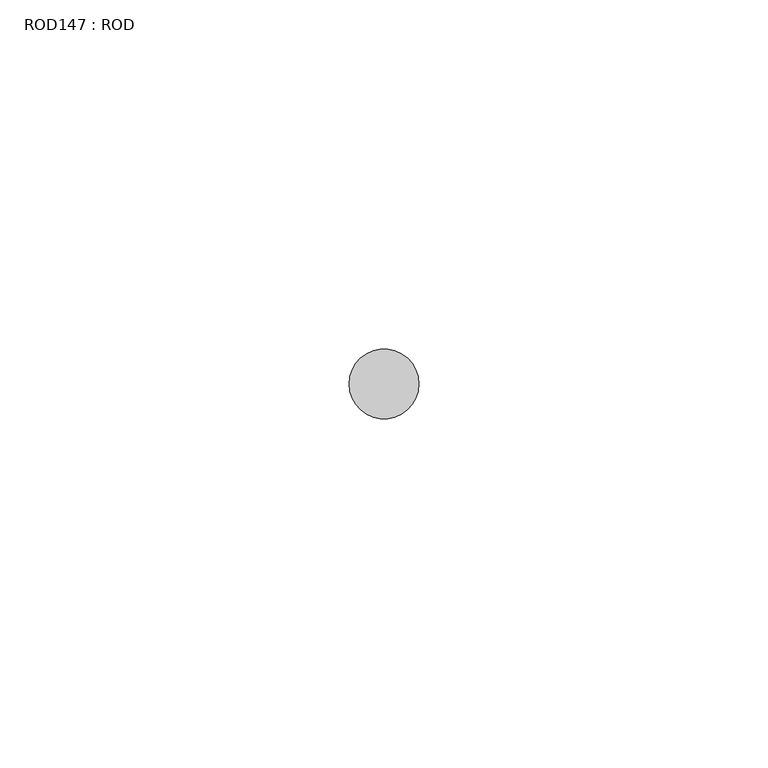
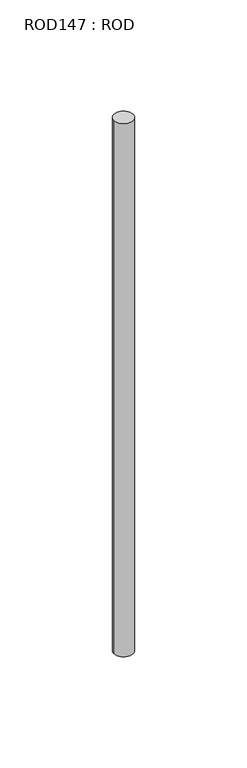
"""IFC4 building model written with IfcOpenShell, lengths in millimetres: proxy geometry, ROD147 : ROD."""

from ifc_helpers import new_model, si_unit, point, frame, frame_2d, origin, place, context, project, spatial, circle_curve, trimmed, segment, composite_curve, outline, extrude, source, transform, mapped, element, save


def rod147_rod_cbd9ad7e(model_context):
    return source(origin(), model_context, "Body", "SweptSolid", [
        extrude(outline(composite_curve([segment(trimmed(circle_curve(frame_2d((-5000.2326676, -21766.6028424)), 5.0), [point((-5005.2326676, -21766.6028424))], [point((-4995.2326676, -21766.6028424))], False, "CARTESIAN"), True, "CONTINUOUS"), segment(trimmed(circle_curve(frame_2d((-5000.2326676, -21766.6028424)), 5.0), [point((-4995.2326676, -21766.6028424))], [point((-5005.2326676, -21766.6028424))], False, "CARTESIAN"), True, "CONTINUOUS")], self_intersect=False)), frame((0.0, 0.0, 166.3391155), z_axis=(0.0, 0.0, 1.0), x_axis=(1.0, 0.0, 0.0)), (0.0, 0.0, 1.0), 298.9028972),
    ])


if __name__ == "__main__":
    model = new_model("IFC4")
    model_context = context("Model", 3, world=origin())
    ifc_project = project(units=[si_unit("LENGTHUNIT", "METRE", prefix="MILLI")], contexts=[model_context])
    site = spatial("IfcSite", under=ifc_project)
    building = spatial("IfcBuilding", under=site)
    placement = place(None, origin())
    rod147_rod_shape = rod147_rod_cbd9ad7e(model_context)
    element("IfcBuildingElementProxy", 1, Name="ROD147 : ROD", ObjectType="ROD147 : ROD", at=placement, inside=building, context=model_context, shape_type="MappedRepresentation", body=[
        mapped(rod147_rod_shape, transform((0.0, 0.0, 0.0), x_axis=(1.0, 0.0, 0.0), y_axis=(0.0, 1.0, 0.0), z_axis=(0.0, 0.0, 1.0))),
    ])
    save(model, "model.ifc")
